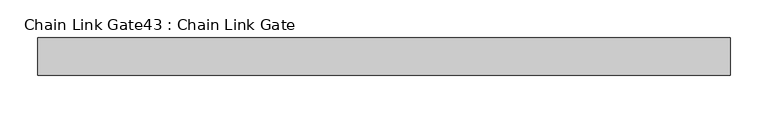
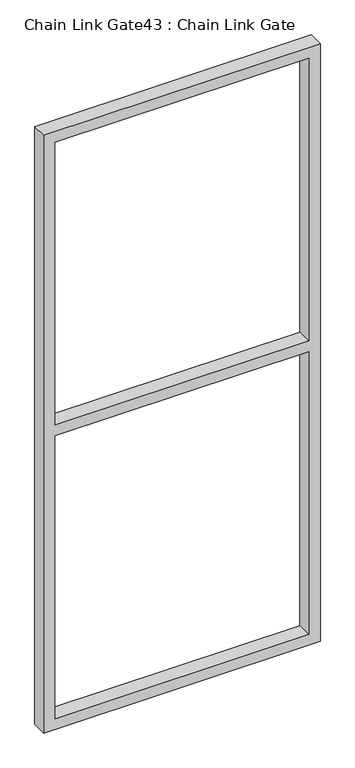
"""IFC4 building model written with IfcOpenShell, lengths in millimetres: proxy geometry, Chain Link Gate43 : Chain Link Gate."""

import ifcopenshell
import ifcopenshell.guid

model = None  # the IFC model being written
_history = None  # IfcOwnerHistory: only IFC2X3 demands one
_inside = {}  # id of a spatial element -> (the spatial element, [elements in it])
_under = {}  # id of a project, library or spatial element -> (it, [spatial elements below it])
_declared = {}  # id of a project -> (the project, [libraries it declares])
_typed = {}  # id of a type object -> (the type object, [elements of that type])
_made_of = {}  # id of a material, layer set ... -> (it, [elements and type objects made of it])


def new_model(schema):
    """Start an empty IFC model of exactly this schema.

    Asked for "IFC4X3", IfcOpenShell would pick the latest addendum, in which some entities
    have other attributes; the version numbers below select the first issue.
    IFC2X3 requires an IfcOwnerHistory on every rooted entity: one is made here for all.
    """
    global model, _history
    if schema == "IFC4X3":
        model = ifcopenshell.file(schema_version=(4, 3, 0, 0))
    else:
        model = ifcopenshell.file(schema=schema)
    _inside.clear()
    _under.clear()
    _declared.clear()
    _typed.clear()
    _made_of.clear()
    _history = None
    if model.schema == "IFC2X3":
        org = make("IfcOrganization", Name="unknown")
        user = make(
            "IfcPersonAndOrganization",
            ThePerson=make("IfcPerson", FamilyName="unknown"),
            TheOrganization=org,
        )
        app = make(
            "IfcApplication",
            ApplicationDeveloper=org,
            Version="unknown",
            ApplicationFullName="unknown",
            ApplicationIdentifier="unknown",
        )
        _history = make(
            "IfcOwnerHistory",
            OwningUser=user,
            OwningApplication=app,
            ChangeAction="ADDED",
            CreationDate=0,
        )
    return model


def make(cls, **values):
    """One entity of the class cls with the attributes given. An attribute that is None is left unset."""
    return model.create_entity(
        cls, **{name: value for name, value in values.items() if value is not None}
    )


def rooted(cls, **values):
    """An entity with a GlobalId (a new one), such as an element, a storey or a relation."""
    return make(cls, GlobalId=ifcopenshell.guid.new(), OwnerHistory=_history, **values)


def si_unit(unit_type, name, prefix=None):
    """IfcSIUnit, for example si_unit("LENGTHUNIT", "METRE", prefix="MILLI")."""
    return make("IfcSIUnit", UnitType=unit_type, Prefix=prefix, Name=name)


def assignment(units):
    """IfcUnitAssignment: the units of a project."""
    return None if units is None else make("IfcUnitAssignment", Units=units)


def point(xyz):
    """IfcCartesianPoint."""
    return None if xyz is None else make("IfcCartesianPoint", Coordinates=xyz)


def direction(xyz):
    """IfcDirection."""
    return None if xyz is None else make("IfcDirection", DirectionRatios=xyz)


def frame(location, z_axis=None, x_axis=None):
    """IfcAxis2Placement3D, a coordinate frame: its origin and axes. An axis left out is left unset."""
    return make(
        "IfcAxis2Placement3D",
        Location=point(location),
        Axis=direction(z_axis),
        RefDirection=direction(x_axis),
    )


def origin():
    """The frame at (0, 0, 0) with its axes left unset."""
    return frame((0.0, 0.0, 0.0))


def place(relative_to, where):
    """IfcLocalPlacement: puts the frame where relative to a parent placement (None: the world)."""
    return make(
        "IfcLocalPlacement", PlacementRelTo=relative_to, RelativePlacement=where
    )


def context(
    kind, dimensions, precision=None, world=None, true_north=None, identifier=None
):
    """IfcGeometricRepresentationContext, for example the 3D "Model" context."""
    return make(
        "IfcGeometricRepresentationContext",
        ContextIdentifier=identifier,
        ContextType=kind,
        CoordinateSpaceDimension=dimensions,
        Precision=precision,
        WorldCoordinateSystem=world,
        TrueNorth=true_north,
    )


def project(units=None, contexts=None):
    """IfcProject with its units and contexts."""
    return rooted(
        "IfcProject",
        Name="project",
        RepresentationContexts=contexts,
        UnitsInContext=assignment(units),
    )


def spatial(cls, under=None, at=None, **own):
    """A site, building, storey or space (cls), placed at a placement, below another one or the project."""
    s = rooted(cls, ObjectPlacement=at, **own)
    if under is not None:
        _under.setdefault(under.id(), (under, []))[1].append(s)
    return s


def polyline(points):
    """IfcPolyline through the points."""
    return make("IfcPolyline", Points=[point(p) for p in points])


def outline(outer, holes=None, kind="AREA"):
    """IfcArbitraryClosedProfileDef: a profile drawn as a closed curve; with holes, ...WithVoids."""
    if holes is None:
        return make("IfcArbitraryClosedProfileDef", ProfileType=kind, OuterCurve=outer)
    return make(
        "IfcArbitraryProfileDefWithVoids",
        ProfileType=kind,
        OuterCurve=outer,
        InnerCurves=holes,
    )


def extrude(swept, where, along, depth):
    """IfcExtrudedAreaSolid: the profile swept, set in the frame where, extruded along a direction by depth."""
    return make(
        "IfcExtrudedAreaSolid",
        SweptArea=swept,
        Position=where,
        ExtrudedDirection=direction(along),
        Depth=depth,
    )


def shape(context_of_items, identifier, shape_type, items):
    """IfcShapeRepresentation: the items that make up one representation, for example the "Body"."""
    return make(
        "IfcShapeRepresentation",
        ContextOfItems=context_of_items,
        RepresentationIdentifier=identifier,
        RepresentationType=shape_type,
        Items=items,
    )


def source(mapping_origin, context_of_items, identifier, shape_type, items):
    """IfcRepresentationMap: a shape defined once, which mapped items show again and again."""
    return make(
        "IfcRepresentationMap",
        MappingOrigin=mapping_origin,
        MappedRepresentation=shape(context_of_items, identifier, shape_type, items),
    )


def transform(
    local_origin,
    x_axis=None,
    y_axis=None,
    z_axis=None,
    scale=None,
    scale2=None,
    scale3=None,
    uniform=True,
):
    """IfcCartesianTransformationOperator3D, or its non-uniform kind. x_axis, y_axis, z_axis: its Axis1, 2, 3."""
    if uniform:
        return make(
            "IfcCartesianTransformationOperator3D",
            Axis1=direction(x_axis),
            Axis2=direction(y_axis),
            LocalOrigin=point(local_origin),
            Scale=scale,
            Axis3=direction(z_axis),
        )
    return make(
        "IfcCartesianTransformationOperator3DnonUniform",
        Axis1=direction(x_axis),
        Axis2=direction(y_axis),
        LocalOrigin=point(local_origin),
        Scale=scale,
        Axis3=direction(z_axis),
        Scale2=scale2,
        Scale3=scale3,
    )


def mapped(mapping_source, mapping_target):
    """IfcMappedItem: shows the shape of a source again, moved by a transform."""
    return make(
        "IfcMappedItem", MappingSource=mapping_source, MappingTarget=mapping_target
    )


def made_of(thing, what):
    """Note that an element or type object is made of a material, layer set ...; save() writes the relation."""
    if what is not None:
        _made_of.setdefault(what.id(), (what, []))[1].append(thing)
    return thing


def element(
    cls,
    number,
    at=None,
    inside=None,
    cuts=None,
    type_object=None,
    material=None,
    context=None,
    identifier="Body",
    shape_type=None,
    held_by="IfcProductDefinitionShape",
    body=None,
    shapes=None,
    **own,
):
    """One element of the class cls, such as IfcWall. Its Tag is "e" and its number.

    at: its placement. inside: the storey or other place that contains it. cuts: it is an
    opening in that element (IfcRelVoidsElement). A single representation is given by context,
    identifier, shape_type and body (its items); several are given by shapes. held_by: the class
    of the entity that holds the representations. save() writes the other relations.
    """
    e = rooted(cls, Tag="e%d" % number, ObjectPlacement=at, **own)
    if body is not None:
        shapes = [shape(context, identifier, shape_type, body)]
    if shapes is not None:
        e.Representation = make(held_by, Representations=shapes)
    if inside is not None:
        _inside.setdefault(inside.id(), (inside, []))[1].append(e)
    if cuts is not None:
        rooted(
            "IfcRelVoidsElement", RelatingBuildingElement=cuts, RelatedOpeningElement=e
        )
    if type_object is not None:
        _typed.setdefault(type_object.id(), (type_object, []))[1].append(e)
    return made_of(e, material)


def aggregate(whole, parts):
    """IfcRelAggregates: a whole, such as a stair, and the parts it consists of."""
    return rooted("IfcRelAggregates", RelatingObject=whole, RelatedObjects=parts)


def save(model, path):
    """Write the relations noted so far, then the file.

    IfcRelAggregates (storeys below a building ...), IfcRelContainedInSpatialStructure (elements
    in a storey), IfcRelDefinesByType, IfcRelAssociatesMaterial and IfcRelDeclares: one each for
    every whole, place, type object, material and project.
    """
    for whole, parts in _under.values():
        aggregate(whole, parts)
    for where, things in _inside.values():
        rooted(
            "IfcRelContainedInSpatialStructure",
            RelatedElements=things,
            RelatingStructure=where,
        )
    for kind, things in _typed.values():
        rooted("IfcRelDefinesByType", RelatedObjects=things, RelatingType=kind)
    for what, things in _made_of.values():
        rooted("IfcRelAssociatesMaterial", RelatedObjects=things, RelatingMaterial=what)
    for by, libraries in _declared.values():
        rooted("IfcRelDeclares", RelatingContext=by, RelatedDefinitions=libraries)
    model.write(path)


def chain_link_gate43_chain_link_gate_9cdfa936(model_context):
    return source(origin(), model_context, "Body", "SweptSolid", [
        extrude(outline(polyline([(2120.9, -11128.3848205), (2120.9, -12052.3098205), (12.7, -12052.3098205), (12.7, -11128.3848205), (2120.9, -11128.3848205)]), holes=[polyline([(2082.8, -11166.4848205), (1085.85, -11166.4848205), (1085.85, -12014.2098205), (2082.8, -12014.2098205), (2082.8, -11166.4848205)]), polyline([(1047.75, -12014.2098205), (1047.75, -11166.4848205), (50.8, -11166.4848205), (50.8, -12014.2098205), (1047.75, -12014.2098205)])]), frame((0.0, -5842.957317, 0.0), z_axis=(0.0, 1.0, 0.0), x_axis=(0.0, 0.0, 1.0)), (0.0, 0.0, 1.0), 50.1314753),
    ])


if __name__ == "__main__":
    model = new_model("IFC4")
    model_context = context("Model", 3, world=origin())
    ifc_project = project(units=[si_unit("LENGTHUNIT", "METRE", prefix="MILLI")], contexts=[model_context])
    site = spatial("IfcSite", under=ifc_project)
    building = spatial("IfcBuilding", under=site)
    placement = place(None, origin())
    chain_link_gate43_chain_link_gate_shape = chain_link_gate43_chain_link_gate_9cdfa936(model_context)
    element("IfcBuildingElementProxy", 1, Name="Chain Link Gate43 : Chain Link Gate", ObjectType="Chain Link Gate43 : Chain Link Gate", at=placement, inside=building, context=model_context, shape_type="MappedRepresentation", body=[
        mapped(chain_link_gate43_chain_link_gate_shape, transform((0.0, 0.0, 0.0), x_axis=(1.0, 0.0, 0.0), y_axis=(0.0, 1.0, 0.0), z_axis=(0.0, 0.0, 1.0))),
    ])
    save(model, "model.ifc")
